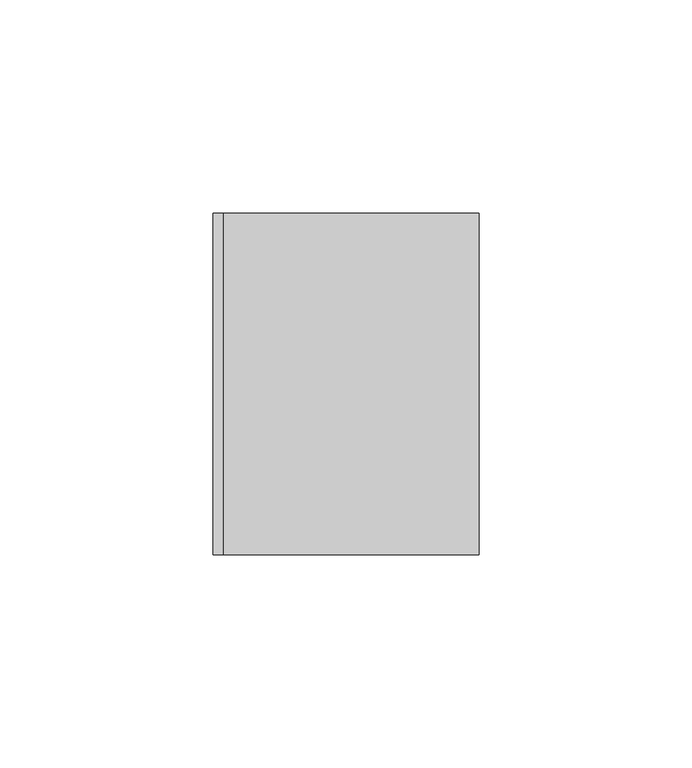
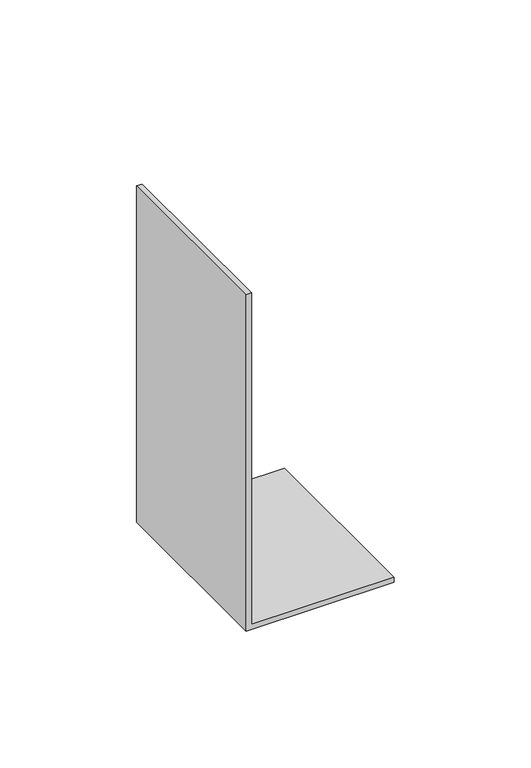
"""IFC4 building model written with IfcOpenShell, lengths in millimetres: proxy geometry."""

from ifc_helpers import new_model, si_unit, frame, origin, place, context, project, spatial, polyline, outline, extrude, source, transform, mapped, element, save


def generic_models_88deaccf(model_context):
    return source(origin(), model_context, "Body", "SweptSolid", [
        extrude(outline(polyline([(150.0, 0.0), (0.0, 0.0), (0.0, 62.3), (2.3, 62.3), (2.3, 2.3), (150.0, 2.3), (150.0, 0.0)])), frame((0.0, -80.0, 0.0), z_axis=(0.0, 1.0, 0.0), x_axis=(0.0, 0.0, 1.0)), (0.0, 0.0, 1.0), 80.0),
    ])


if __name__ == "__main__":
    model = new_model("IFC4")
    model_context = context("Model", 3, world=origin())
    ifc_project = project(units=[si_unit("LENGTHUNIT", "METRE", prefix="MILLI")], contexts=[model_context])
    site = spatial("IfcSite", under=ifc_project)
    building = spatial("IfcBuilding", under=site)
    placement = place(None, origin())
    generic_models_shape = generic_models_88deaccf(model_context)
    element("IfcBuildingElementProxy", 1, Name="Generic Models", at=placement, inside=building, context=model_context, shape_type="MappedRepresentation", body=[
        mapped(generic_models_shape, transform((0.0, 0.0, 0.0), x_axis=(1.0, 0.0, 0.0), y_axis=(0.0, 1.0, 0.0), z_axis=(0.0, 0.0, 1.0))),
    ])
    save(model, "model.ifc")
